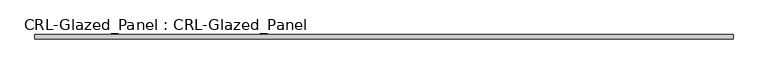
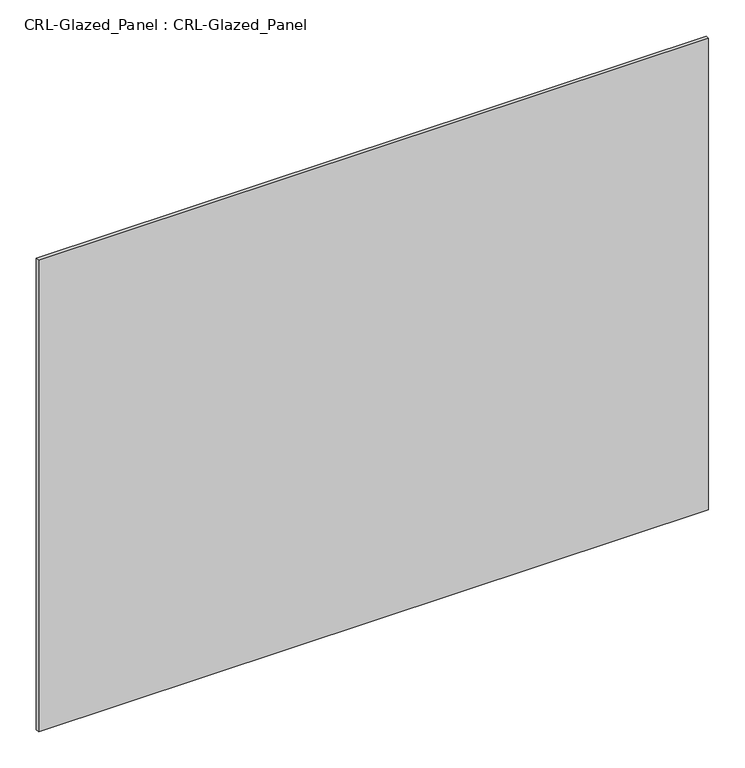
"""IFC4 building model written with IfcOpenShell, lengths in millimetres: plate geometry, CRL-Glazed_Panel : CRL-Glazed_Panel."""

from ifc_helpers import new_model, si_unit, origin, origin_with_axes, place, context, project, spatial, polyline, outline, extrude, source, transform, mapped, element, save


def crl_glazed_panel_crl_glazed_panel_e82b6f45(model_context):
    return source(origin(), model_context, "Body", "SweptSolid", [
        extrude(outline(polyline([(534.4583045, 3.1749999), (534.4583045, -3.1749999), (-534.4583045, -3.1749999), (-534.4583045, 3.1749999), (534.4583045, 3.1749999)])), origin_with_axes(), (0.0, 0.0, 1.0), 794.5565195),
    ])


if __name__ == "__main__":
    model = new_model("IFC4")
    model_context = context("Model", 3, world=origin())
    ifc_project = project(units=[si_unit("LENGTHUNIT", "METRE", prefix="MILLI")], contexts=[model_context])
    site = spatial("IfcSite", under=ifc_project)
    building = spatial("IfcBuilding", under=site)
    placement = place(None, origin())
    crl_glazed_panel_crl_glazed_panel_shape = crl_glazed_panel_crl_glazed_panel_e82b6f45(model_context)
    element("IfcPlate", 1, ObjectType="CRL-Glazed_Panel : CRL-Glazed_Panel", at=placement, inside=building, context=model_context, shape_type="MappedRepresentation", body=[
        mapped(crl_glazed_panel_crl_glazed_panel_shape, transform((0.0, 0.0, 0.0), x_axis=(1.0, 0.0, 0.0), y_axis=(0.0, 1.0, 0.0), z_axis=(0.0, 0.0, 1.0))),
    ])
    save(model, "model.ifc")
